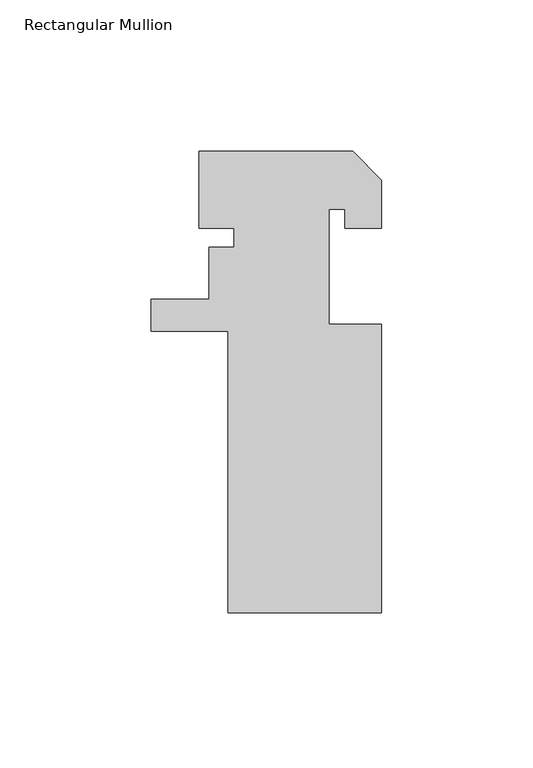
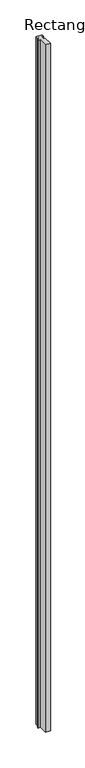
"""IFC4 building model written with IfcOpenShell, lengths in millimetres: member geometry, Rectangular Mullion."""

from ifc_helpers import new_model, si_unit, frame, origin, place, context, project, spatial, polyline, outline, extrude, source, transform, mapped, element, save


def rectangular_mullion_ba2ce34d(model_context):
    return source(origin(), model_context, "Body", "SweptSolid", [
        extrude(outline(polyline([(15.875, 0.0), (25.4, -9.525), (25.4, -25.4), (13.208, -25.4), (13.208, -19.05), (7.9502, -19.05), (7.9502, -57.1500019), (25.4, -57.1500019), (25.4, -152.4), (-25.4, -152.4), (-25.4, -59.436), (-50.8, -59.436), (-50.8, -48.8961543), (-31.623, -48.8961543), (-31.623, -31.7503963), (-23.3960095, -31.7503963), (-23.3960095, -25.4), (-34.925, -25.4), (-34.925, 0.0), (15.875, 0.0)])), frame((0.0, 0.0, -7620.0), z_axis=(0.0, 0.0, 1.0), x_axis=(1.0, 0.0, 0.0)), (0.0, 0.0, 1.0), 7620.0),
    ])


if __name__ == "__main__":
    model = new_model("IFC4")
    model_context = context("Model", 3, world=origin())
    ifc_project = project(units=[si_unit("LENGTHUNIT", "METRE", prefix="MILLI")], contexts=[model_context])
    site = spatial("IfcSite", under=ifc_project)
    building = spatial("IfcBuilding", under=site)
    placement = place(None, origin())
    rectangular_mullion_shape = rectangular_mullion_ba2ce34d(model_context)
    element("IfcMember", 1, ObjectType="Rectangular Mullion", at=placement, inside=building, context=model_context, shape_type="MappedRepresentation", body=[
        mapped(rectangular_mullion_shape, transform((0.0, 0.0, 0.0), x_axis=(1.0, 0.0, 0.0), y_axis=(0.0, 1.0, 0.0), z_axis=(0.0, 0.0, 1.0))),
    ])
    save(model, "model.ifc")
